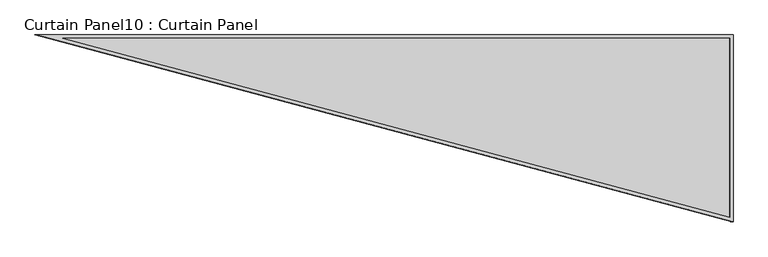
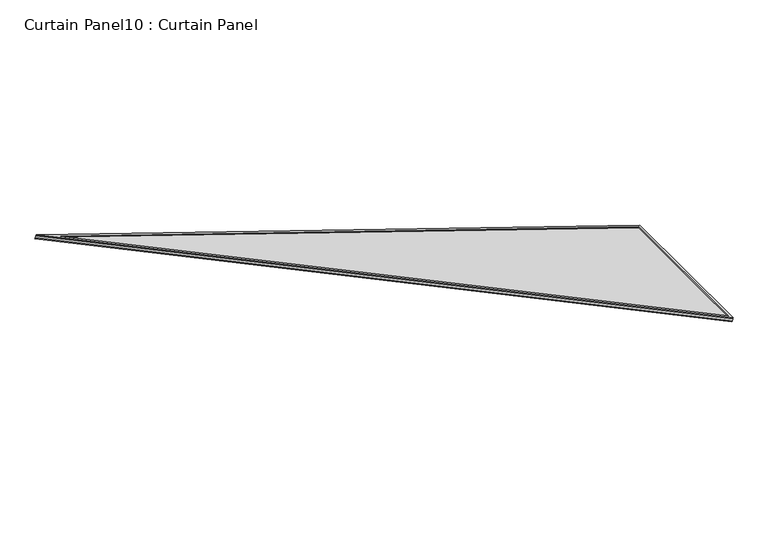
"""IFC4 building model written with IfcOpenShell, lengths in millimetres: plate geometry, Curtain Panel10 : Curtain Panel."""

from ifc_helpers import new_model, si_unit, frame, origin, place, context, project, spatial, polyline, outline, extrude, source, transform, mapped, element, save


def curtain_panel10_curtain_panel_c9586a89(model_context):
    return source(origin(), model_context, "Body", "SweptSolid", [
        extrude(outline(polyline([(895.9373554, 0.0), (0.0, -3524.4506618), (0.0, 0.0), (895.9373554, 0.0)]), holes=[polyline([(874.508816, -16.6627979), (16.6627979, -16.6627979), (16.6627979, -3391.2692346), (874.508816, -16.6627979)])]), frame((18941.8510989, 463.5743214, 898.7322455), z_axis=(0.3161458239738058, 0.0, 0.9487106081329141), x_axis=(0.0, -1.0, 0.0)), (0.0, 0.0, 1.0), 4.7979306),
        extrude(outline(polyline([(895.9373554, 0.0), (0.0, -3524.4506618), (0.0, 0.0), (895.9373554, 0.0)]), holes=[polyline([(882.6749851, -10.3127979), (10.3127979, -10.3127979), (10.3127979, -3442.0231397), (882.6749851, -10.3127979)])]), frame((18936.2677029, 463.5743214, 881.9772337), z_axis=(0.31614582397380603, 0.0, 0.948710608132914), x_axis=(0.0, -1.0, 0.0)), (0.0, 0.0, 1.0), 4.7703307),
        extrude(outline(polyline([(12.7, 0.0), (908.6373554, 0.0), (12.7, -3524.4506618), (12.7, 0.0)])), frame((18937.775823, 476.2743214, 886.5028971), z_axis=(0.3161458239738058, 0.0, 0.948710608132914), x_axis=(0.0, -1.0, 0.0)), (0.0, 0.0, 1.0), 12.890494),
    ])


if __name__ == "__main__":
    model = new_model("IFC4")
    model_context = context("Model", 3, world=origin())
    ifc_project = project(units=[si_unit("LENGTHUNIT", "METRE", prefix="MILLI")], contexts=[model_context])
    site = spatial("IfcSite", under=ifc_project)
    building = spatial("IfcBuilding", under=site)
    placement = place(None, origin())
    curtain_panel10_curtain_panel_shape = curtain_panel10_curtain_panel_c9586a89(model_context)
    element("IfcPlate", 1, ObjectType="Curtain Panel10 : Curtain Panel", at=placement, inside=building, context=model_context, shape_type="MappedRepresentation", body=[
        mapped(curtain_panel10_curtain_panel_shape, transform((0.0, 0.0, 0.0), x_axis=(1.0, 0.0, 0.0), y_axis=(0.0, 1.0, 0.0), z_axis=(0.0, 0.0, 1.0))),
    ])
    save(model, "model.ifc")
